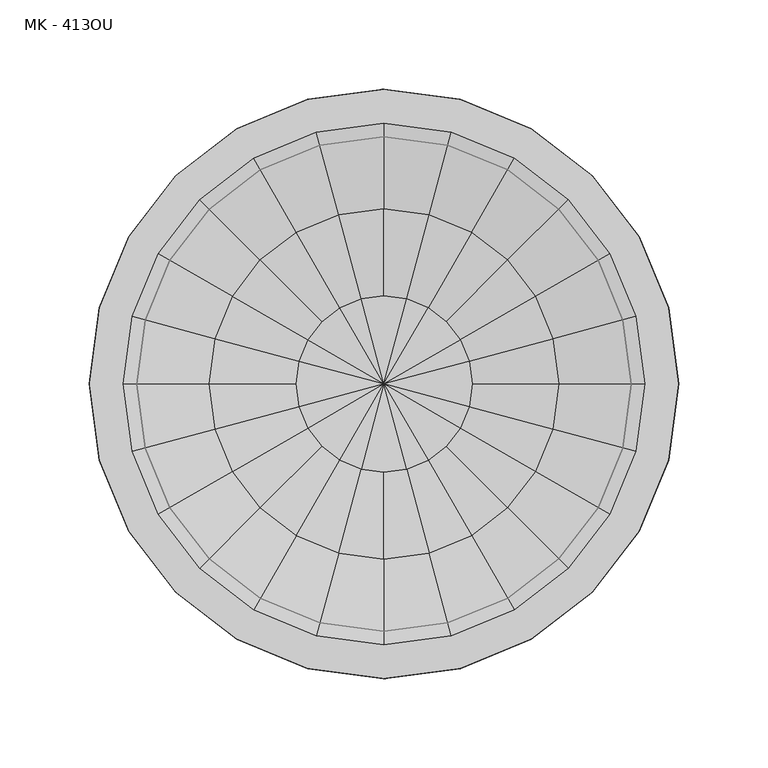
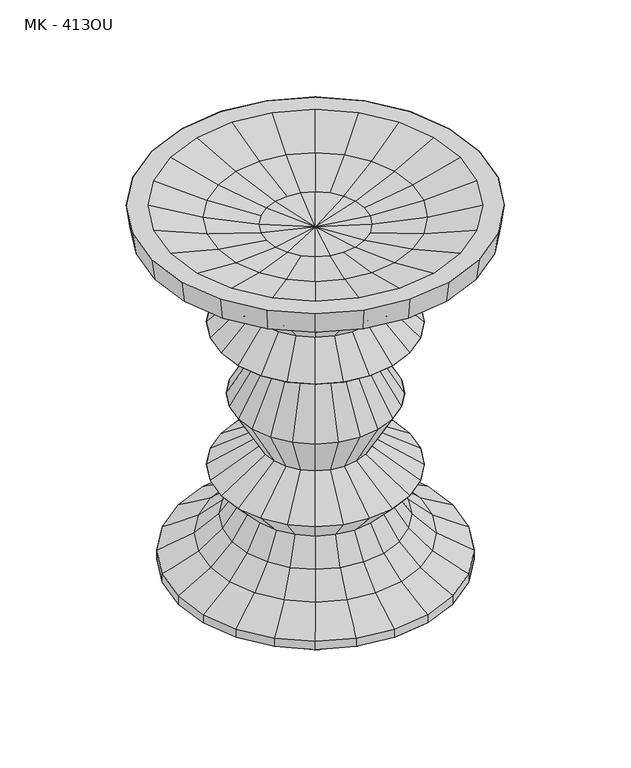
"""IFC4 building model written with IfcOpenShell, lengths in millimetres: furniture geometry, MK - 413OU."""

import ifcopenshell
import ifcopenshell.guid

model = None  # the IFC model being written
_history = None  # IfcOwnerHistory: only IFC2X3 demands one
_inside = {}  # id of a spatial element -> (the spatial element, [elements in it])
_under = {}  # id of a project, library or spatial element -> (it, [spatial elements below it])
_declared = {}  # id of a project -> (the project, [libraries it declares])
_typed = {}  # id of a type object -> (the type object, [elements of that type])
_made_of = {}  # id of a material, layer set ... -> (it, [elements and type objects made of it])


def new_model(schema):
    """Start an empty IFC model of exactly this schema.

    Asked for "IFC4X3", IfcOpenShell would pick the latest addendum, in which some entities
    have other attributes; the version numbers below select the first issue.
    IFC2X3 requires an IfcOwnerHistory on every rooted entity: one is made here for all.
    """
    global model, _history
    if schema == "IFC4X3":
        model = ifcopenshell.file(schema_version=(4, 3, 0, 0))
    else:
        model = ifcopenshell.file(schema=schema)
    _inside.clear()
    _under.clear()
    _declared.clear()
    _typed.clear()
    _made_of.clear()
    _history = None
    if model.schema == "IFC2X3":
        org = make("IfcOrganization", Name="unknown")
        user = make(
            "IfcPersonAndOrganization",
            ThePerson=make("IfcPerson", FamilyName="unknown"),
            TheOrganization=org,
        )
        app = make(
            "IfcApplication",
            ApplicationDeveloper=org,
            Version="unknown",
            ApplicationFullName="unknown",
            ApplicationIdentifier="unknown",
        )
        _history = make(
            "IfcOwnerHistory",
            OwningUser=user,
            OwningApplication=app,
            ChangeAction="ADDED",
            CreationDate=0,
        )
    return model


def make(cls, **values):
    """One entity of the class cls with the attributes given. An attribute that is None is left unset."""
    return model.create_entity(
        cls, **{name: value for name, value in values.items() if value is not None}
    )


def rooted(cls, **values):
    """An entity with a GlobalId (a new one), such as an element, a storey or a relation."""
    return make(cls, GlobalId=ifcopenshell.guid.new(), OwnerHistory=_history, **values)


def si_unit(unit_type, name, prefix=None):
    """IfcSIUnit, for example si_unit("LENGTHUNIT", "METRE", prefix="MILLI")."""
    return make("IfcSIUnit", UnitType=unit_type, Prefix=prefix, Name=name)


def assignment(units):
    """IfcUnitAssignment: the units of a project."""
    return None if units is None else make("IfcUnitAssignment", Units=units)


def point(xyz):
    """IfcCartesianPoint."""
    return None if xyz is None else make("IfcCartesianPoint", Coordinates=xyz)


def direction(xyz):
    """IfcDirection."""
    return None if xyz is None else make("IfcDirection", DirectionRatios=xyz)


def frame(location, z_axis=None, x_axis=None):
    """IfcAxis2Placement3D, a coordinate frame: its origin and axes. An axis left out is left unset."""
    return make(
        "IfcAxis2Placement3D",
        Location=point(location),
        Axis=direction(z_axis),
        RefDirection=direction(x_axis),
    )


def origin():
    """The frame at (0, 0, 0) with its axes left unset."""
    return frame((0.0, 0.0, 0.0))


def place(relative_to, where):
    """IfcLocalPlacement: puts the frame where relative to a parent placement (None: the world)."""
    return make(
        "IfcLocalPlacement", PlacementRelTo=relative_to, RelativePlacement=where
    )


def context(
    kind, dimensions, precision=None, world=None, true_north=None, identifier=None
):
    """IfcGeometricRepresentationContext, for example the 3D "Model" context."""
    return make(
        "IfcGeometricRepresentationContext",
        ContextIdentifier=identifier,
        ContextType=kind,
        CoordinateSpaceDimension=dimensions,
        Precision=precision,
        WorldCoordinateSystem=world,
        TrueNorth=true_north,
    )


def project(units=None, contexts=None):
    """IfcProject with its units and contexts."""
    return rooted(
        "IfcProject",
        Name="project",
        RepresentationContexts=contexts,
        UnitsInContext=assignment(units),
    )


def spatial(cls, under=None, at=None, **own):
    """A site, building, storey or space (cls), placed at a placement, below another one or the project."""
    s = rooted(cls, ObjectPlacement=at, **own)
    if under is not None:
        _under.setdefault(under.id(), (under, []))[1].append(s)
    return s


def point_list(points):
    """IfcCartesianPointList2D or 3D."""
    cls = (
        "IfcCartesianPointList2D" if len(points[0]) == 2 else "IfcCartesianPointList3D"
    )
    return make(cls, CoordList=points)


def triangles(points, corners, closed=None, point_numbers=None):
    """IfcTriangulatedFaceSet: each triangle names its three corners, points numbered from 1."""
    return make(
        "IfcTriangulatedFaceSet",
        Coordinates=point_list(points),
        Closed=closed,
        CoordIndex=corners,
        PnIndex=point_numbers,
    )


def shape(context_of_items, identifier, shape_type, items):
    """IfcShapeRepresentation: the items that make up one representation, for example the "Body"."""
    return make(
        "IfcShapeRepresentation",
        ContextOfItems=context_of_items,
        RepresentationIdentifier=identifier,
        RepresentationType=shape_type,
        Items=items,
    )


def source(mapping_origin, context_of_items, identifier, shape_type, items):
    """IfcRepresentationMap: a shape defined once, which mapped items show again and again."""
    return make(
        "IfcRepresentationMap",
        MappingOrigin=mapping_origin,
        MappedRepresentation=shape(context_of_items, identifier, shape_type, items),
    )


def transform(
    local_origin,
    x_axis=None,
    y_axis=None,
    z_axis=None,
    scale=None,
    scale2=None,
    scale3=None,
    uniform=True,
):
    """IfcCartesianTransformationOperator3D, or its non-uniform kind. x_axis, y_axis, z_axis: its Axis1, 2, 3."""
    if uniform:
        return make(
            "IfcCartesianTransformationOperator3D",
            Axis1=direction(x_axis),
            Axis2=direction(y_axis),
            LocalOrigin=point(local_origin),
            Scale=scale,
            Axis3=direction(z_axis),
        )
    return make(
        "IfcCartesianTransformationOperator3DnonUniform",
        Axis1=direction(x_axis),
        Axis2=direction(y_axis),
        LocalOrigin=point(local_origin),
        Scale=scale,
        Axis3=direction(z_axis),
        Scale2=scale2,
        Scale3=scale3,
    )


def mapped(mapping_source, mapping_target):
    """IfcMappedItem: shows the shape of a source again, moved by a transform."""
    return make(
        "IfcMappedItem", MappingSource=mapping_source, MappingTarget=mapping_target
    )


def made_of(thing, what):
    """Note that an element or type object is made of a material, layer set ...; save() writes the relation."""
    if what is not None:
        _made_of.setdefault(what.id(), (what, []))[1].append(thing)
    return thing


def element(
    cls,
    number,
    at=None,
    inside=None,
    cuts=None,
    type_object=None,
    material=None,
    context=None,
    identifier="Body",
    shape_type=None,
    held_by="IfcProductDefinitionShape",
    body=None,
    shapes=None,
    **own,
):
    """One element of the class cls, such as IfcWall. Its Tag is "e" and its number.

    at: its placement. inside: the storey or other place that contains it. cuts: it is an
    opening in that element (IfcRelVoidsElement). A single representation is given by context,
    identifier, shape_type and body (its items); several are given by shapes. held_by: the class
    of the entity that holds the representations. save() writes the other relations.
    """
    e = rooted(cls, Tag="e%d" % number, ObjectPlacement=at, **own)
    if body is not None:
        shapes = [shape(context, identifier, shape_type, body)]
    if shapes is not None:
        e.Representation = make(held_by, Representations=shapes)
    if inside is not None:
        _inside.setdefault(inside.id(), (inside, []))[1].append(e)
    if cuts is not None:
        rooted(
            "IfcRelVoidsElement", RelatingBuildingElement=cuts, RelatedOpeningElement=e
        )
    if type_object is not None:
        _typed.setdefault(type_object.id(), (type_object, []))[1].append(e)
    return made_of(e, material)


def aggregate(whole, parts):
    """IfcRelAggregates: a whole, such as a stair, and the parts it consists of."""
    return rooted("IfcRelAggregates", RelatingObject=whole, RelatedObjects=parts)


def save(model, path):
    """Write the relations noted so far, then the file.

    IfcRelAggregates (storeys below a building ...), IfcRelContainedInSpatialStructure (elements
    in a storey), IfcRelDefinesByType, IfcRelAssociatesMaterial and IfcRelDeclares: one each for
    every whole, place, type object, material and project.
    """
    for whole, parts in _under.values():
        aggregate(whole, parts)
    for where, things in _inside.values():
        rooted(
            "IfcRelContainedInSpatialStructure",
            RelatedElements=things,
            RelatingStructure=where,
        )
    for kind, things in _typed.values():
        rooted("IfcRelDefinesByType", RelatedObjects=things, RelatingType=kind)
    for what, things in _made_of.values():
        rooted("IfcRelAssociatesMaterial", RelatedObjects=things, RelatingMaterial=what)
    for by, libraries in _declared.values():
        rooted("IfcRelDeclares", RelatingContext=by, RelatedDefinitions=libraries)
    model.write(path)


def mk_413ou_82fe38b2(model_context):
    return source(origin(), model_context, "Body", "Tessellation", [
        triangles([(-82.4889239, 47.625, 257.047991), (-43.9940897, 25.4000008, 228.3460002), (-49.0690298, 13.1480074, 228.3460002), (-92.0044314, 24.652515, 257.047991), (-67.3519209, 67.3519209, 257.047991), (-35.9210246, 35.9210246, 228.3460002), (82.4889239, 47.625, 257.047991), (43.9940897, 25.4000008, 228.3460002), (35.9210246, 35.9210246, 228.3460002), (67.3519209, 67.3519209, 257.047991), (92.0044314, 24.652515, 257.047991), (49.0690298, 13.1480074, 228.3460002), (-24.652515, -92.0044314, 257.047991), (-13.1480074, -49.0690298, 228.3460002), (0.0, -50.8000015, 228.3460002), (0.0, -95.25, 257.047991), (-47.625, -82.4889239, 257.047991), (-25.4000008, -43.9940897, 228.3460002), (24.652515, -92.0044314, 257.047991), (13.1480074, -49.0690298, 228.3460002), (25.4000008, -43.9940897, 228.3460002), (47.625, -82.4889239, 257.047991), (-82.4889239, -47.625, 257.047991), (-43.9940897, -25.4000008, 228.3460002), (-35.9210246, -35.9210246, 228.3460002), (-67.3519209, -67.3519209, 257.047991), (-92.0044314, -24.652515, 257.047991), (-49.0690298, -13.1480074, 228.3460002), (-50.8000015, 0.0, 228.3460002), (-95.25, 0.0, 257.047991), (82.4889239, -47.625, 257.047991), (43.9940897, -25.4000008, 228.3460002), (49.0690298, -13.1480074, 228.3460002), (92.0044314, -24.652515, 257.047991), (67.3519209, -67.3519209, 257.047991), (35.9210246, -35.9210246, 228.3460002), (95.25, 0.0, 257.047991), (50.8000015, 0.0, 228.3460002), (0.0, 95.25, 257.047991), (0.0, 50.8000015, 228.3460002), (-13.1480074, 49.0690298, 228.3460002), (-24.652515, 92.0044314, 257.047991), (-47.625, 82.4889239, 257.047991), (-25.4000008, 43.9940897, 228.3460002), (24.652515, 92.0044314, 257.047991), (13.1480074, 49.0690298, 228.3460002), (25.4000008, 43.9940897, 228.3460002), (47.625, 82.4889239, 257.047991), (-82.4889239, 47.625, 104.9019999), (-59.1170583, 34.1312492, 76.2), (-65.9365095, 17.6676353, 76.2), (-92.0044314, 24.652515, 104.9019999), (92.0044314, 24.652515, 104.9019999), (65.9365095, 17.6676353, 76.2), (59.1170583, 34.1312492, 76.2), (82.4889239, 47.625, 104.9019999), (24.652515, -92.0044314, 104.9019999), (17.6676353, -65.9365095, 76.2), (34.1312492, -59.1170583, 76.2), (47.625, -82.4889239, 104.9019999), (-24.652515, -92.0044314, 104.9019999), (-17.6676353, -65.9365095, 76.2), (0.0, -68.2624985, 76.2), (0.0, -95.25, 104.9019999), (-47.625, -82.4889239, 104.9019999), (-34.1312492, -59.1170583, 76.2), (-92.0044314, -24.652515, 104.9019999), (-65.9365095, -17.6676353, 76.2), (-59.1170583, -34.1312492, 76.2), (-82.4889239, -47.625, 104.9019999), (-67.3519209, -67.3519209, 104.9019999), (-48.2688788, -48.2688788, 76.2), (-68.2624985, 0.0, 76.2), (-95.25, 0.0, 104.9019999), (82.4889239, -47.625, 104.9019999), (59.1170583, -34.1312492, 76.2), (65.9365095, -17.6676353, 76.2), (92.0044314, -24.652515, 104.9019999), (67.3519209, -67.3519209, 104.9019999), (48.2688788, -48.2688788, 76.2), (95.25, 0.0, 104.9019999), (68.2624985, 0.0, 76.2), (0.0, 95.25, 104.9019999), (0.0, 68.2624985, 76.2), (-17.6676353, 65.9365095, 76.2), (-24.652515, 92.0044314, 104.9019999), (-67.3519209, 67.3519209, 104.9019999), (-48.2688788, 48.2688788, 76.2), (-47.625, 82.4889239, 104.9019999), (-34.1312492, 59.1170583, 76.2), (24.652515, 92.0044314, 104.9019999), (17.6676353, 65.9365095, 76.2), (47.625, 82.4889239, 104.9019999), (34.1312492, 59.1170583, 76.2), (67.3519209, 67.3519209, 104.9019999), (48.2688788, 48.2688788, 76.2), (42.2171542, -73.1222582, 51.928153), (21.8532083, -81.5572766, 51.928153), (0.0, -84.4343084, 51.928153), (21.8532083, 81.5572766, 51.928153), (42.2171542, 73.1222582, 51.928153), (0.0, 84.4343084, 51.928153), (0.0, 130.9877986, 17.4243997), (0.0, 105.7168938, 31.9856952), (27.3615453, 102.1146791, 31.9856952), (33.9021367, 126.5244991, 17.4243997), (33.9021367, -126.5244991, 17.4243997), (27.3615453, -102.1146791, 31.9856952), (0.0, -105.7168938, 31.9856952), (0.0, -130.9877986, 17.4243997), (0.0, 130.9877986, 0.0), (0.0, 138.5327868, 4.3560999), (35.8549245, 133.8123991, 4.3560999), (33.9021367, 126.5244991, 0.0), (0.0, 138.5327868, 13.0682998), (35.8549245, 133.8123991, 13.0682998), (33.9021367, -126.5244991, 0.0), (35.8549245, -133.8123991, 4.3560999), (0.0, -138.5327868, 4.3560999), (0.0, -130.9877986, 0.0), (35.8549245, -133.8123991, 13.0682998), (0.0, -138.5327868, 13.0682998), (-138.5327868, 0.0, 13.0682998), (-130.9877986, 0.0, 17.4243997), (-126.5244991, 33.9021367, 17.4243997), (-133.8123991, 35.8549245, 13.0682998), (-97.9574746, -97.9574746, 13.0682998), (-92.6223624, -92.6223624, 17.4243997), (-113.4387608, -65.4938993, 17.4243997), (-119.9729095, -69.2663934, 13.0682998), (-33.9021367, -126.5244991, 17.4243997), (-35.8549245, -133.8123991, 13.0682998), (-65.4938993, -113.4387608, 17.4243997), (-69.2663934, -119.9729095, 13.0682998), (-133.8123991, -35.8549245, 13.0682998), (-126.5244991, -33.9021367, 17.4243997), (-35.8549245, 133.8123991, 13.0682998), (-33.9021367, 126.5244991, 17.4243997), (-97.9574746, 97.9574746, 13.0682998), (-92.6223624, 92.6223624, 17.4243997), (-65.4938993, 113.4387608, 17.4243997), (-69.2663934, 119.9729095, 13.0682998), (-119.9729095, 69.2663934, 13.0682998), (-113.4387608, 65.4938993, 17.4243997), (-138.5327868, 0.0, 4.3560999), (-133.8123991, 35.8549245, 4.3560999), (-133.8123991, -35.8549245, 4.3560999), (-119.9729095, 69.2663934, 4.3560999), (-97.9574746, 97.9574746, 4.3560999), (-69.2663934, 119.9729095, 4.3560999), (-35.8549245, 133.8123991, 4.3560999), (-97.9574746, -97.9574746, 4.3560999), (-119.9729095, -69.2663934, 4.3560999), (-35.8549245, -133.8123991, 4.3560999), (-69.2663934, -119.9729095, 4.3560999), (-65.4938993, 113.4387608, 0.0), (-33.9021367, 126.5244991, 0.0), (-33.9021367, -126.5244991, 0.0), (-65.4938993, -113.4387608, 0.0), (-130.9877986, 0.0, 0.0), (-126.5244991, 33.9021367, 0.0), (-126.5244991, -33.9021367, 0.0), (-92.6223624, 92.6223624, 0.0), (-113.4387608, 65.4938993, 0.0), (-92.6223624, -92.6223624, 0.0), (-113.4387608, -65.4938993, 0.0), (-102.1146791, 27.3615453, 31.9856952), (-81.5572766, 21.8532083, 51.928153), (-73.1222582, 42.2171542, 51.928153), (-91.5535141, 52.8584469, 31.9856952), (-52.8584469, -91.5535141, 31.9856952), (-42.2171542, -73.1222582, 51.928153), (-59.7040728, -59.7040728, 51.928153), (-74.7531316, -74.7531316, 31.9856952), (-27.3615453, -102.1146791, 31.9856952), (-21.8532083, -81.5572766, 51.928153), (-91.5535141, -52.8584469, 31.9856952), (-73.1222582, -42.2171542, 51.928153), (-81.5572766, -21.8532083, 51.928153), (-102.1146791, -27.3615453, 31.9856952), (-105.7168938, 0.0, 31.9856952), (-84.4343084, 0.0, 51.928153), (-27.3615453, 102.1146791, 31.9856952), (-21.8532083, 81.5572766, 51.928153), (-52.8584469, 91.5535141, 31.9856952), (-42.2171542, 73.1222582, 51.928153), (-74.7531316, 74.7531316, 31.9856952), (-59.7040728, 59.7040728, 51.928153), (133.8123991, 35.8549245, 13.0682998), (126.5244991, 33.9021367, 17.4243997), (130.9877986, 0.0, 17.4243997), (138.5327868, 0.0, 13.0682998), (119.9729095, -69.2663934, 13.0682998), (113.4387608, -65.4938993, 17.4243997), (92.6223624, -92.6223624, 17.4243997), (97.9574746, -97.9574746, 13.0682998), (69.2663934, -119.9729095, 13.0682998), (65.4938993, -113.4387608, 17.4243997), (126.5244991, -33.9021367, 17.4243997), (133.8123991, -35.8549245, 13.0682998), (97.9574746, 97.9574746, 13.0682998), (92.6223624, 92.6223624, 17.4243997), (113.4387608, 65.4938993, 17.4243997), (119.9729095, 69.2663934, 13.0682998), (69.2663934, 119.9729095, 13.0682998), (65.4938993, 113.4387608, 17.4243997), (133.8123991, 35.8549245, 4.3560999), (138.5327868, 0.0, 4.3560999), (133.8123991, -35.8549245, 4.3560999), (97.9574746, 97.9574746, 4.3560999), (119.9729095, 69.2663934, 4.3560999), (69.2663934, 119.9729095, 4.3560999), (119.9729095, -69.2663934, 4.3560999), (97.9574746, -97.9574746, 4.3560999), (69.2663934, -119.9729095, 4.3560999), (92.6223624, 92.6223624, 0.0), (113.4387608, 65.4938993, 0.0), (113.4387608, -65.4938993, 0.0), (92.6223624, -92.6223624, 0.0), (65.4938993, 113.4387608, 0.0), (65.4938993, -113.4387608, 0.0), (126.5244991, 33.9021367, 0.0), (130.9877986, 0.0, 0.0), (126.5244991, -33.9021367, 0.0), (91.5535141, 52.8584469, 31.9856952), (73.1222582, 42.2171542, 51.928153), (81.5572766, 21.8532083, 51.928153), (102.1146791, 27.3615453, 31.9856952), (52.8584469, -91.5535141, 31.9856952), (74.7531316, -74.7531316, 31.9856952), (59.7040728, -59.7040728, 51.928153), (102.1146791, -27.3615453, 31.9856952), (81.5572766, -21.8532083, 51.928153), (73.1222582, -42.2171542, 51.928153), (91.5535141, -52.8584469, 31.9856952), (84.4343084, 0.0, 51.928153), (105.7168938, 0.0, 31.9856952), (52.8584469, 91.5535141, 31.9856952), (74.7531316, 74.7531316, 31.9856952), (59.7040728, 59.7040728, 51.928153), (20.149322, -75.1982897, 180.847991), (38.9254992, -67.4209437, 180.847991), (38.9254992, 67.4209437, 180.847991), (20.149322, 75.1982897, 180.847991), (13.1480074, -49.0690298, 133.6039998), (25.4000008, -43.9940897, 133.6039998), (0.0, -50.8000015, 133.6039998), (13.1480074, 49.0690298, 133.6039998), (0.0, 50.8000015, 133.6039998), (25.4000008, 43.9940897, 133.6039998), (-67.4209437, 38.9254992, 180.847991), (-43.9940897, 25.4000008, 133.6039998), (-49.0690298, 13.1480074, 133.6039998), (-75.1982897, 20.149322, 180.847991), (-55.04897, 55.04897, 180.847991), (-35.9210246, 35.9210246, 133.6039998), (0.0, -77.8509984, 180.847991), (-67.4209437, -38.9254992, 180.847991), (-43.9940897, -25.4000008, 133.6039998), (-35.9210246, -35.9210246, 133.6039998), (-55.04897, -55.04897, 180.847991), (-75.1982897, -20.149322, 180.847991), (-49.0690298, -13.1480074, 133.6039998), (-20.149322, -75.1982897, 180.847991), (-13.1480074, -49.0690298, 133.6039998), (-38.9254992, -67.4209437, 180.847991), (-25.4000008, -43.9940897, 133.6039998), (-77.8509984, 0.0, 180.847991), (-50.8000015, 0.0, 133.6039998), (0.0, 77.8509984, 180.847991), (-38.9254992, 67.4209437, 180.847991), (-25.4000008, 43.9940897, 133.6039998), (-20.149322, 75.1982897, 180.847991), (-13.1480074, 49.0690298, 133.6039998), (67.4209437, 38.9254992, 180.847991), (43.9940897, 25.4000008, 133.6039998), (35.9210246, 35.9210246, 133.6039998), (55.04897, 55.04897, 180.847991), (75.1982897, 20.149322, 180.847991), (49.0690298, 13.1480074, 133.6039998), (67.4209437, -38.9254992, 180.847991), (43.9940897, -25.4000008, 133.6039998), (49.0690298, -13.1480074, 133.6039998), (75.1982897, -20.149322, 180.847991), (55.04897, -55.04897, 180.847991), (35.9210246, -35.9210246, 133.6039998), (50.8000015, 0.0, 133.6039998), (77.8509984, 0.0, 180.847991), (141.0734657, 37.8005225, 381.0), (94.8795648, 25.4229009, 368.471804), (98.2265443, 0.0, 368.471804), (146.049997, 0.0, 381.0), (156.5302166, 41.9421438, 358.9020029), (159.4743502, 42.7310264, 381.0), (165.1000061, 0.0, 381.0), (162.052009, 0.0, 358.9020029), (126.4830136, 73.0249985, 381.0), (85.0666826, 49.1132722, 368.471804), (-141.0734657, 37.8005225, 381.0), (-94.8795648, 25.4229009, 368.471804), (-85.0666826, 49.1132722, 368.471804), (-126.4830136, 73.0249985, 381.0), (-146.049997, 0.0, 381.0), (-98.2265443, 0.0, 368.471804), (-162.052009, 0.0, 358.9020029), (-165.1000061, 0.0, 381.0), (-159.4743502, 42.7310264, 381.0), (-156.5302166, 41.9421438, 358.9020029), (73.0249985, -126.4830136, 381.0), (49.1132722, -85.0666826, 368.471804), (25.4229009, -94.8795648, 368.471804), (37.8005225, -141.0734657, 381.0), (103.2729478, -103.2729478, 381.0), (69.4566571, -69.4566571, 368.471804), (126.4830136, -73.0249985, 381.0), (85.0666826, -49.1132722, 368.471804), (140.3411521, -81.0260045, 358.9020029), (142.9807984, -82.550003, 381.0), (116.7433283, -116.7433283, 381.0), (114.5880638, -114.5880638, 358.9020029), (-103.2729478, -103.2729478, 381.0), (-69.4566571, -69.4566571, 368.471804), (-85.0666826, -49.1132722, 368.471804), (-126.4830136, -73.0249985, 381.0), (-114.5880638, -114.5880638, 358.9020029), (-116.7433283, -116.7433283, 381.0), (-142.9807984, -82.550003, 381.0), (-140.3411521, -81.0260045, 358.9020029), (-73.0249985, -126.4830136, 381.0), (-49.1132722, -85.0666826, 368.471804), (-37.8005225, -141.0734657, 381.0), (-25.4229009, -94.8795648, 368.471804), (0.0, -146.049997, 381.0), (0.0, -98.2265443, 368.471804), (0.0, -162.052009, 358.9020029), (0.0, -165.1000061, 381.0), (-42.7310264, -159.4743502, 381.0), (-41.9421438, -156.5302166, 358.9020029), (-82.550003, -142.9807984, 381.0), (-81.0260045, -140.3411521, 358.9020029), (81.0260045, -140.3411521, 358.9020029), (82.550003, -142.9807984, 381.0), (42.7310264, -159.4743502, 381.0), (41.9421438, -156.5302166, 358.9020029), (-141.0734657, -37.8005225, 381.0), (-94.8795648, -25.4229009, 368.471804), (-156.5302166, -41.9421438, 358.9020029), (-159.4743502, -42.7310264, 381.0), (141.0734657, -37.8005225, 381.0), (94.8795648, -25.4229009, 368.471804), (159.4743502, -42.7310264, 381.0), (156.5302166, -41.9421438, 358.9020029), (41.9421438, 156.5302166, 358.9020029), (42.7310264, 159.4743502, 381.0), (82.550003, 142.9807984, 381.0), (81.0260045, 140.3411521, 358.9020029), (-81.0260045, 140.3411521, 358.9020029), (-82.550003, 142.9807984, 381.0), (-42.7310264, 159.4743502, 381.0), (-41.9421438, 156.5302166, 358.9020029), (-37.8005225, 141.0734657, 381.0), (-25.4229009, 94.8795648, 368.471804), (0.0, 98.2265443, 368.471804), (0.0, 146.049997, 381.0), (-73.0249985, 126.4830136, 381.0), (-49.1132722, 85.0666826, 368.471804), (-103.2729478, 103.2729478, 381.0), (-69.4566571, 69.4566571, 368.471804), (-140.3411521, 81.0260045, 358.9020029), (-142.9807984, 82.550003, 381.0), (-116.7433283, 116.7433283, 381.0), (-114.5880638, 114.5880638, 358.9020029), (103.2729478, 103.2729478, 381.0), (69.4566571, 69.4566571, 368.471804), (73.0249985, 126.4830136, 381.0), (49.1132722, 85.0666826, 368.471804), (37.8005225, 141.0734657, 381.0), (25.4229009, 94.8795648, 368.471804), (114.5880638, 114.5880638, 358.9020029), (116.7433283, 116.7433283, 381.0), (142.9807984, 82.550003, 381.0), (140.3411521, 81.0260045, 358.9020029), (0.0, 165.1000061, 381.0), (0.0, 162.052009, 358.9020029), (34.9115068, 34.9115068, 360.9018808), (0.0, 0.0, 358.3697316), (42.7576872, 24.6861635, 360.9018808), (24.6861635, 42.7576872, 360.9018808), (12.7784987, 47.6900033, 360.9018808), (47.6900033, 12.7784987, 360.9018808), (49.372327, 0.0, 360.9018808), (24.6861635, -42.7576872, 360.9018808), (12.7784987, -47.6900033, 360.9018808), (34.9115068, -34.9115068, 360.9018808), (42.7576872, -24.6861635, 360.9018808), (47.6900033, -12.7784987, 360.9018808), (0.0, 49.372327, 360.9018808), (0.0, -49.372327, 360.9018808), (32.681449, -121.968827, 339.343422), (0.0, -126.2714259, 339.343422), (0.0, 126.2714259, 339.343422), (32.681449, 121.968827, 339.343422), (24.2562093, -90.5254065, 314.7850737), (0.0, -93.718798, 314.7850737), (0.0, 93.718798, 314.7850737), (24.2562093, 90.5254065, 314.7850737), (16.8458842, -62.8696954, 285.75), (32.5437508, -56.3674306, 285.75), (0.0, -65.0875015, 285.75), (16.8458842, 62.8696954, 285.75), (0.0, 65.0875015, 285.75), (32.5437508, 56.3674306, 285.75), (46.859399, -81.1628602, 314.7850737), (46.859399, 81.1628602, 314.7850737), (-32.681449, -121.968827, 339.343422), (-62.8696954, 16.8458842, 285.75), (-90.5254065, 24.2562093, 314.7850737), (-81.1628602, 46.859399, 314.7850737), (-56.3674306, 32.5437508, 285.75), (-24.2562093, -90.5254065, 314.7850737), (-16.8458842, -62.8696954, 285.75), (-56.3674306, -32.5437508, 285.75), (-81.1628602, -46.859399, 314.7850737), (-90.5254065, -24.2562093, 314.7850737), (-62.8696954, -16.8458842, 285.75), (-46.0238123, -46.0238123, 285.75), (-66.2691972, -66.2691972, 314.7850737), (-32.5437508, -56.3674306, 285.75), (-46.859399, -81.1628602, 314.7850737), (-65.0875015, 0.0, 285.75), (-93.718798, 0.0, 314.7850737), (-16.8458842, 62.8696954, 285.75), (-24.2562093, 90.5254065, 314.7850737), (-32.5437508, 56.3674306, 285.75), (-46.859399, 81.1628602, 314.7850737), (-46.0238123, 46.0238123, 285.75), (-66.2691972, 66.2691972, 314.7850737), (-121.968827, 32.681449, 339.343422), (-109.3542626, 63.1357129, 339.343422), (-126.2714259, 0.0, 339.343422), (-63.1357129, -109.3542626, 339.343422), (-89.2873825, -89.2873825, 339.343422), (-121.968827, -32.681449, 339.343422), (-109.3542626, -63.1357129, 339.343422), (-32.681449, 121.968827, 339.343422), (-63.1357129, 109.3542626, 339.343422), (-89.2873825, 89.2873825, 339.343422), (-12.7784987, 47.6900033, 360.9018808), (-12.7784987, -47.6900033, 360.9018808), (-42.7576872, 24.6861635, 360.9018808), (-34.9115068, 34.9115068, 360.9018808), (-47.6900033, 12.7784987, 360.9018808), (-49.372327, 0.0, 360.9018808), (-47.6900033, -12.7784987, 360.9018808), (-42.7576872, -24.6861635, 360.9018808), (-34.9115068, -34.9115068, 360.9018808), (-24.6861635, -42.7576872, 360.9018808), (-24.6861635, 42.7576872, 360.9018808), (56.3674306, 32.5437508, 285.75), (81.1628602, 46.859399, 314.7850737), (90.5254065, 24.2562093, 314.7850737), (62.8696954, 16.8458842, 285.75), (62.8696954, -16.8458842, 285.75), (90.5254065, -24.2562093, 314.7850737), (81.1628602, -46.859399, 314.7850737), (56.3674306, -32.5437508, 285.75), (46.0238123, -46.0238123, 285.75), (66.2691972, -66.2691972, 314.7850737), (93.718798, 0.0, 314.7850737), (65.0875015, 0.0, 285.75), (46.0238123, 46.0238123, 285.75), (66.2691972, 66.2691972, 314.7850737), (121.968827, 32.681449, 339.343422), (126.2714259, 0.0, 339.343422), (109.3542626, 63.1357129, 339.343422), (63.1357129, -109.3542626, 339.343422), (89.2873825, -89.2873825, 339.343422), (121.968827, -32.681449, 339.343422), (109.3542626, -63.1357129, 339.343422), (63.1357129, 109.3542626, 339.343422), (89.2873825, 89.2873825, 339.343422)], [[1, 2, 3], [1, 3, 4], [5, 6, 2], [5, 2, 1], [7, 8, 9], [7, 9, 10], [11, 12, 8], [11, 8, 7], [13, 14, 15], [13, 15, 16], [17, 18, 14], [17, 14, 13], [19, 20, 21], [19, 21, 22], [16, 15, 20], [16, 20, 19], [23, 24, 25], [23, 25, 26], [27, 28, 24], [27, 24, 23], [26, 25, 18], [26, 18, 17], [4, 3, 29], [4, 29, 30], [30, 29, 28], [30, 28, 27], [31, 32, 33], [31, 33, 34], [35, 36, 32], [35, 32, 31], [22, 21, 36], [22, 36, 35], [37, 38, 12], [37, 12, 11], [34, 33, 38], [34, 38, 37], [39, 40, 41], [39, 41, 42], [43, 44, 6], [43, 6, 5], [42, 41, 44], [42, 44, 43], [45, 46, 40], [45, 40, 39], [10, 9, 47], [10, 47, 48], [48, 47, 46], [48, 46, 45], [49, 50, 51], [49, 51, 52], [53, 54, 55], [53, 55, 56], [57, 58, 59], [57, 59, 60], [61, 62, 63], [61, 63, 64], [65, 66, 62], [65, 62, 61], [64, 63, 58], [64, 58, 57], [67, 68, 69], [67, 69, 70], [71, 72, 66], [71, 66, 65], [70, 69, 72], [70, 72, 71], [52, 51, 73], [52, 73, 74], [74, 73, 68], [74, 68, 67], [75, 76, 77], [75, 77, 78], [79, 80, 76], [79, 76, 75], [60, 59, 80], [60, 80, 79], [81, 82, 54], [81, 54, 53], [78, 77, 82], [78, 82, 81], [83, 84, 85], [83, 85, 86], [87, 88, 50], [87, 50, 49], [89, 90, 88], [89, 88, 87], [86, 85, 90], [86, 90, 89], [91, 92, 84], [91, 84, 83], [93, 94, 92], [93, 92, 91], [95, 96, 94], [95, 94, 93], [56, 55, 96], [56, 96, 95], [97, 59, 58], [97, 58, 98], [98, 58, 63], [98, 63, 99], [100, 92, 94], [100, 94, 101], [102, 84, 92], [102, 92, 100], [103, 104, 105], [103, 105, 106], [107, 108, 109], [107, 109, 110], [108, 98, 99], [108, 99, 109], [104, 102, 100], [104, 100, 105], [111, 112, 113], [111, 113, 114], [112, 115, 116], [112, 116, 113], [117, 118, 119], [117, 119, 120], [118, 121, 122], [118, 122, 119], [121, 107, 110], [121, 110, 122], [115, 103, 106], [115, 106, 116], [123, 124, 125], [123, 125, 126], [127, 128, 129], [127, 129, 130], [122, 110, 131], [122, 131, 132], [132, 131, 133], [132, 133, 134], [134, 133, 128], [134, 128, 127], [135, 136, 124], [135, 124, 123], [130, 129, 136], [130, 136, 135], [137, 138, 103], [137, 103, 115], [139, 140, 141], [139, 141, 142], [143, 144, 140], [143, 140, 139], [126, 125, 144], [126, 144, 143], [142, 141, 138], [142, 138, 137], [145, 123, 126], [145, 126, 146], [147, 135, 123], [147, 123, 145], [148, 143, 139], [148, 139, 149], [146, 126, 143], [146, 143, 148], [150, 142, 137], [150, 137, 151], [149, 139, 142], [149, 142, 150], [152, 127, 130], [152, 130, 153], [154, 132, 134], [154, 134, 155], [155, 134, 127], [155, 127, 152], [153, 130, 135], [153, 135, 147], [119, 122, 132], [119, 132, 154], [151, 137, 115], [151, 115, 112], [156, 150, 151], [156, 151, 157], [158, 154, 155], [158, 155, 159], [160, 145, 146], [160, 146, 161], [162, 147, 145], [162, 145, 160], [163, 149, 150], [163, 150, 156], [164, 148, 149], [164, 149, 163], [161, 146, 148], [161, 148, 164], [165, 152, 153], [165, 153, 166], [159, 155, 152], [159, 152, 165], [166, 153, 147], [166, 147, 162], [120, 119, 154], [120, 154, 158], [157, 151, 112], [157, 112, 111], [167, 168, 169], [167, 169, 170], [171, 172, 173], [171, 173, 174], [175, 176, 172], [175, 172, 171], [109, 99, 176], [109, 176, 175], [177, 178, 179], [177, 179, 180], [174, 173, 178], [174, 178, 177], [181, 182, 168], [181, 168, 167], [180, 179, 182], [180, 182, 181], [183, 184, 102], [183, 102, 104], [185, 186, 184], [185, 184, 183], [187, 188, 186], [187, 186, 185], [170, 169, 188], [170, 188, 187], [125, 167, 170], [125, 170, 144], [124, 181, 167], [124, 167, 125], [136, 180, 181], [136, 181, 124], [141, 185, 183], [141, 183, 138], [140, 187, 185], [140, 185, 141], [144, 170, 187], [144, 187, 140], [128, 174, 177], [128, 177, 129], [133, 171, 174], [133, 174, 128], [131, 175, 171], [131, 171, 133], [129, 177, 180], [129, 180, 136], [110, 109, 175], [110, 175, 131], [138, 183, 104], [138, 104, 103], [168, 51, 50], [168, 50, 169], [99, 63, 62], [99, 62, 176], [178, 69, 68], [178, 68, 179], [172, 66, 72], [172, 72, 173], [176, 62, 66], [176, 66, 172], [173, 72, 69], [173, 69, 178], [182, 73, 51], [182, 51, 168], [179, 68, 73], [179, 73, 182], [184, 85, 84], [184, 84, 102], [186, 90, 85], [186, 85, 184], [188, 88, 90], [188, 90, 186], [169, 50, 88], [169, 88, 188], [189, 190, 191], [189, 191, 192], [193, 194, 195], [193, 195, 196], [197, 198, 107], [197, 107, 121], [196, 195, 198], [196, 198, 197], [192, 191, 199], [192, 199, 200], [200, 199, 194], [200, 194, 193], [201, 202, 203], [201, 203, 204], [205, 206, 202], [205, 202, 201], [204, 203, 190], [204, 190, 189], [116, 106, 206], [116, 206, 205], [207, 189, 192], [207, 192, 208], [208, 192, 200], [208, 200, 209], [210, 201, 204], [210, 204, 211], [211, 204, 189], [211, 189, 207], [113, 116, 205], [113, 205, 212], [212, 205, 201], [212, 201, 210], [213, 193, 196], [213, 196, 214], [215, 197, 121], [215, 121, 118], [214, 196, 197], [214, 197, 215], [209, 200, 193], [209, 193, 213], [216, 210, 211], [216, 211, 217], [218, 213, 214], [218, 214, 219], [220, 212, 210], [220, 210, 216], [114, 113, 212], [114, 212, 220], [221, 215, 118], [221, 118, 117], [219, 214, 215], [219, 215, 221], [222, 207, 208], [222, 208, 223], [223, 208, 209], [223, 209, 224], [217, 211, 207], [217, 207, 222], [224, 209, 213], [224, 213, 218], [225, 226, 227], [225, 227, 228], [229, 97, 98], [229, 98, 108], [230, 231, 97], [230, 97, 229], [232, 233, 234], [232, 234, 235], [235, 234, 231], [235, 231, 230], [228, 227, 236], [228, 236, 237], [237, 236, 233], [237, 233, 232], [105, 100, 101], [105, 101, 238], [239, 240, 226], [239, 226, 225], [238, 101, 240], [238, 240, 239], [190, 228, 237], [190, 237, 191], [203, 225, 228], [203, 228, 190], [191, 237, 232], [191, 232, 199], [206, 238, 239], [206, 239, 202], [106, 105, 238], [106, 238, 206], [202, 239, 225], [202, 225, 203], [195, 230, 229], [195, 229, 198], [194, 235, 230], [194, 230, 195], [198, 229, 108], [198, 108, 107], [199, 232, 235], [199, 235, 194], [226, 55, 54], [226, 54, 227], [233, 77, 76], [233, 76, 234], [231, 80, 59], [231, 59, 97], [234, 76, 80], [234, 80, 231], [227, 54, 82], [227, 82, 236], [236, 82, 77], [236, 77, 233], [101, 94, 96], [101, 96, 240], [240, 96, 55], [240, 55, 226], [20, 241, 242], [20, 242, 21], [47, 243, 244], [47, 244, 46], [245, 57, 60], [245, 60, 246], [247, 64, 57], [247, 57, 245], [248, 91, 83], [248, 83, 249], [250, 93, 91], [250, 91, 248], [241, 245, 246], [241, 246, 242], [243, 250, 248], [243, 248, 244], [251, 252, 253], [251, 253, 254], [255, 256, 252], [255, 252, 251], [257, 247, 245], [257, 245, 241], [258, 259, 260], [258, 260, 261], [262, 263, 259], [262, 259, 258], [264, 265, 247], [264, 247, 257], [266, 267, 265], [266, 265, 264], [261, 260, 267], [261, 267, 266], [268, 269, 263], [268, 263, 262], [254, 253, 269], [254, 269, 268], [244, 248, 249], [244, 249, 270], [271, 272, 256], [271, 256, 255], [273, 274, 272], [273, 272, 271], [270, 249, 274], [270, 274, 273], [252, 49, 52], [252, 52, 253], [256, 87, 49], [256, 49, 252], [265, 61, 64], [265, 64, 247], [267, 65, 61], [267, 61, 265], [259, 70, 71], [259, 71, 260], [263, 67, 70], [263, 70, 259], [260, 71, 65], [260, 65, 267], [253, 52, 74], [253, 74, 269], [269, 74, 67], [269, 67, 263], [249, 83, 86], [249, 86, 274], [272, 89, 87], [272, 87, 256], [274, 86, 89], [274, 89, 272], [2, 251, 254], [2, 254, 3], [6, 255, 251], [6, 251, 2], [14, 264, 257], [14, 257, 15], [24, 258, 261], [24, 261, 25], [28, 262, 258], [28, 258, 24], [18, 266, 264], [18, 264, 14], [25, 261, 266], [25, 266, 18], [3, 254, 268], [3, 268, 29], [29, 268, 262], [29, 262, 28], [15, 257, 241], [15, 241, 20], [40, 270, 273], [40, 273, 41], [44, 271, 255], [44, 255, 6], [41, 273, 271], [41, 271, 44], [46, 244, 270], [46, 270, 40], [275, 276, 277], [275, 277, 278], [279, 280, 276], [279, 276, 275], [281, 282, 283], [281, 283, 284], [285, 286, 282], [285, 282, 281], [242, 246, 286], [242, 286, 285], [284, 283, 287], [284, 287, 288], [288, 287, 280], [288, 280, 279], [278, 277, 250], [278, 250, 243], [276, 56, 95], [276, 95, 277], [280, 53, 56], [280, 56, 276], [282, 75, 78], [282, 78, 283], [286, 79, 75], [286, 75, 282], [246, 60, 79], [246, 79, 286], [287, 81, 53], [287, 53, 280], [283, 78, 81], [283, 81, 287], [277, 95, 93], [277, 93, 250], [8, 275, 278], [8, 278, 9], [12, 279, 275], [12, 275, 8], [32, 281, 284], [32, 284, 33], [36, 285, 281], [36, 281, 32], [21, 242, 285], [21, 285, 36], [38, 288, 279], [38, 279, 12], [33, 284, 288], [33, 288, 38], [9, 278, 243], [9, 243, 47], [289, 290, 291], [289, 291, 292], [293, 294, 295], [293, 295, 296], [297, 298, 290], [297, 290, 289], [299, 300, 301], [299, 301, 302], [303, 304, 300], [303, 300, 299], [305, 306, 307], [305, 307, 308], [309, 310, 311], [309, 311, 312], [313, 314, 310], [313, 310, 309], [315, 316, 314], [315, 314, 313], [317, 318, 319], [317, 319, 320], [321, 322, 323], [321, 323, 324], [325, 326, 327], [325, 327, 328], [329, 330, 322], [329, 322, 321], [331, 332, 330], [331, 330, 329], [333, 334, 332], [333, 332, 331], [335, 336, 337], [335, 337, 338], [338, 337, 339], [338, 339, 340], [340, 339, 326], [340, 326, 325], [341, 342, 343], [341, 343, 344], [344, 343, 336], [344, 336, 335], [320, 319, 342], [320, 342, 341], [312, 311, 334], [312, 334, 333], [345, 346, 304], [345, 304, 303], [324, 323, 346], [324, 346, 345], [347, 348, 306], [347, 306, 305], [328, 327, 348], [328, 348, 347], [349, 350, 316], [349, 316, 315], [292, 291, 350], [292, 350, 349], [296, 295, 351], [296, 351, 352], [352, 351, 318], [352, 318, 317], [353, 354, 355], [353, 355, 356], [357, 358, 359], [357, 359, 360], [361, 362, 363], [361, 363, 364], [365, 366, 362], [365, 362, 361], [367, 368, 366], [367, 366, 365], [302, 301, 368], [302, 368, 367], [369, 370, 371], [369, 371, 372], [308, 307, 370], [308, 370, 369], [372, 371, 358], [372, 358, 357], [373, 374, 298], [373, 298, 297], [375, 376, 374], [375, 374, 373], [377, 378, 376], [377, 376, 375], [379, 380, 381], [379, 381, 382], [382, 381, 294], [382, 294, 293], [356, 355, 380], [356, 380, 379], [364, 363, 378], [364, 378, 377], [360, 359, 383], [360, 383, 384], [384, 383, 354], [384, 354, 353], [385, 386, 387], [388, 386, 385], [389, 386, 388], [390, 386, 391], [387, 386, 390], [392, 386, 393], [394, 386, 392], [395, 386, 394], [396, 386, 395], [391, 386, 396], [378, 389, 388], [378, 388, 376], [363, 397, 389], [363, 389, 378], [311, 393, 398], [311, 398, 334], [310, 392, 393], [310, 393, 311], [399, 344, 335], [399, 335, 400], [401, 384, 353], [401, 353, 402], [403, 399, 400], [403, 400, 404], [405, 401, 402], [405, 402, 406], [407, 19, 22], [407, 22, 408], [409, 16, 19], [409, 19, 407], [410, 45, 39], [410, 39, 411], [412, 48, 45], [412, 45, 410], [407, 403, 404], [407, 404, 409], [408, 413, 403], [408, 403, 407], [411, 405, 406], [411, 406, 410], [410, 406, 414], [410, 414, 412], [400, 335, 338], [400, 338, 415], [416, 417, 418], [416, 418, 419], [409, 404, 420], [409, 420, 421], [422, 423, 424], [422, 424, 425], [426, 427, 423], [426, 423, 422], [428, 429, 427], [428, 427, 426], [421, 420, 429], [421, 429, 428], [430, 431, 417], [430, 417, 416], [425, 424, 431], [425, 431, 430], [432, 433, 405], [432, 405, 411], [434, 435, 433], [434, 433, 432], [436, 437, 435], [436, 435, 434], [419, 418, 437], [419, 437, 436], [419, 1, 4], [419, 4, 416], [421, 13, 16], [421, 16, 409], [428, 17, 13], [428, 13, 421], [425, 27, 23], [425, 23, 422], [426, 26, 17], [426, 17, 428], [422, 23, 26], [422, 26, 426], [416, 4, 30], [416, 30, 430], [430, 30, 27], [430, 27, 425], [411, 39, 42], [411, 42, 432], [436, 5, 1], [436, 1, 419], [434, 43, 5], [434, 5, 436], [432, 42, 43], [432, 43, 434], [417, 438, 439], [417, 439, 418], [431, 440, 438], [431, 438, 417], [429, 441, 442], [429, 442, 427], [420, 415, 441], [420, 441, 429], [404, 400, 415], [404, 415, 420], [424, 443, 440], [424, 440, 431], [423, 444, 443], [423, 443, 424], [427, 442, 444], [427, 444, 423], [433, 445, 401], [433, 401, 405], [435, 446, 445], [435, 445, 433], [437, 447, 446], [437, 446, 435], [418, 439, 447], [418, 447, 437], [440, 305, 308], [440, 308, 438], [442, 325, 328], [442, 328, 444], [441, 340, 325], [441, 325, 442], [415, 338, 340], [415, 340, 441], [444, 328, 347], [444, 347, 443], [443, 347, 305], [443, 305, 440], [445, 360, 384], [445, 384, 401], [446, 357, 360], [446, 360, 445], [438, 308, 369], [438, 369, 439], [447, 372, 357], [447, 357, 446], [439, 369, 372], [439, 372, 447], [362, 448, 397], [362, 397, 363], [334, 398, 449], [334, 449, 332], [301, 450, 451], [301, 451, 368], [300, 452, 450], [300, 450, 301], [304, 453, 452], [304, 452, 300], [346, 454, 453], [346, 453, 304], [323, 455, 454], [323, 454, 346], [322, 456, 455], [322, 455, 323], [332, 449, 457], [332, 457, 330], [330, 457, 456], [330, 456, 322], [366, 458, 448], [366, 448, 362], [368, 451, 458], [368, 458, 366], [397, 386, 389], [448, 386, 397], [458, 386, 448], [449, 386, 457], [398, 386, 449], [393, 386, 398], [451, 386, 458], [450, 386, 451], [454, 386, 453], [455, 386, 454], [452, 386, 450], [453, 386, 452], [456, 386, 455], [457, 386, 456], [459, 460, 461], [459, 461, 462], [463, 464, 465], [463, 465, 466], [467, 468, 413], [467, 413, 408], [466, 465, 468], [466, 468, 467], [462, 461, 469], [462, 469, 470], [470, 469, 464], [470, 464, 463], [471, 472, 460], [471, 460, 459], [412, 414, 472], [412, 472, 471], [462, 11, 7], [462, 7, 459], [466, 31, 34], [466, 34, 463], [467, 35, 31], [467, 31, 466], [408, 22, 35], [408, 35, 467], [470, 37, 11], [470, 11, 462], [463, 34, 37], [463, 37, 470], [471, 10, 48], [471, 48, 412], [459, 7, 10], [459, 10, 471], [461, 473, 474], [461, 474, 469], [460, 475, 473], [460, 473, 461], [413, 476, 399], [413, 399, 403], [468, 477, 476], [468, 476, 413], [464, 478, 479], [464, 479, 465], [469, 474, 478], [469, 478, 464], [465, 479, 477], [465, 477, 468], [414, 480, 481], [414, 481, 472], [406, 402, 480], [406, 480, 414], [472, 481, 475], [472, 475, 460], [473, 293, 296], [473, 296, 474], [477, 320, 341], [477, 341, 476], [479, 317, 320], [479, 320, 477], [476, 341, 344], [476, 344, 399], [478, 352, 317], [478, 317, 479], [474, 296, 352], [474, 352, 478], [402, 353, 356], [402, 356, 480], [475, 382, 293], [475, 293, 473], [481, 379, 382], [481, 382, 475], [480, 356, 379], [480, 379, 481], [298, 387, 390], [298, 390, 290], [374, 385, 387], [374, 387, 298], [290, 390, 391], [290, 391, 291], [291, 391, 396], [291, 396, 350], [376, 388, 385], [376, 385, 374], [316, 395, 394], [316, 394, 314], [350, 396, 395], [350, 395, 316], [314, 394, 392], [314, 392, 310], [383, 364, 377], [383, 377, 354], [343, 312, 333], [343, 333, 336], [336, 333, 331], [336, 331, 337], [306, 303, 299], [306, 299, 307], [348, 345, 303], [348, 303, 306], [307, 299, 302], [307, 302, 370], [327, 324, 345], [327, 345, 348], [358, 365, 361], [358, 361, 359], [337, 331, 329], [337, 329, 339], [370, 302, 367], [370, 367, 371], [371, 367, 365], [371, 365, 358], [326, 321, 324], [326, 324, 327], [339, 329, 321], [339, 321, 326], [359, 361, 364], [359, 364, 383], [355, 375, 373], [355, 373, 380], [380, 373, 297], [380, 297, 381], [319, 313, 309], [319, 309, 342], [318, 315, 313], [318, 313, 319], [354, 377, 375], [354, 375, 355], [342, 309, 312], [342, 312, 343], [294, 289, 292], [294, 292, 295], [295, 292, 349], [295, 349, 351], [381, 297, 289], [381, 289, 294], [351, 349, 315], [351, 315, 318]], closed=False),
    ])


if __name__ == "__main__":
    model = new_model("IFC4")
    model_context = context("Model", 3, world=origin())
    ifc_project = project(units=[si_unit("LENGTHUNIT", "METRE", prefix="MILLI")], contexts=[model_context])
    site = spatial("IfcSite", under=ifc_project)
    building = spatial("IfcBuilding", under=site)
    placement = place(None, origin())
    mk_413ou_shape = mk_413ou_82fe38b2(model_context)
    element("IfcFurniture", 1, ObjectType="MK - 413OU", at=placement, inside=building, context=model_context, shape_type="MappedRepresentation", body=[
        mapped(mk_413ou_shape, transform((0.0, 0.0, 0.0), x_axis=(1.0, 0.0, 0.0), y_axis=(0.0, 1.0, 0.0), z_axis=(0.0, 0.0, 1.0))),
    ])
    save(model, "model.ifc")
